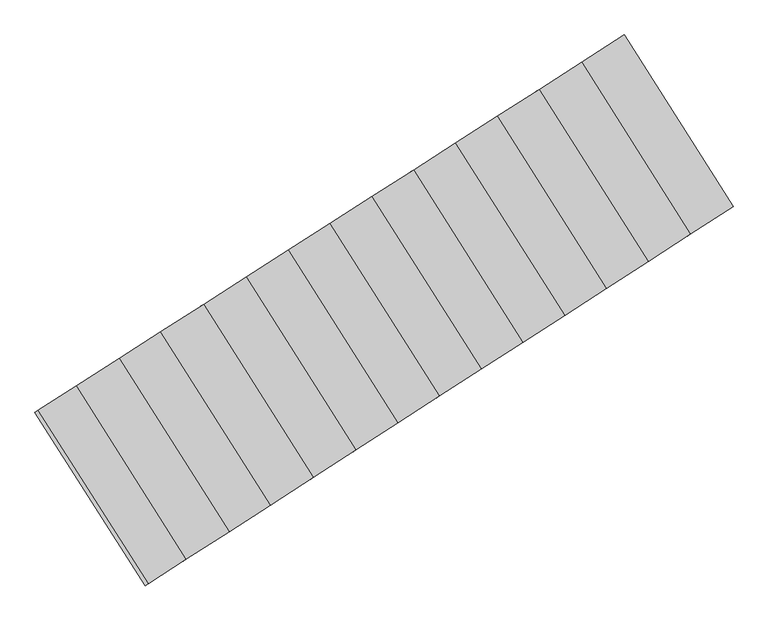
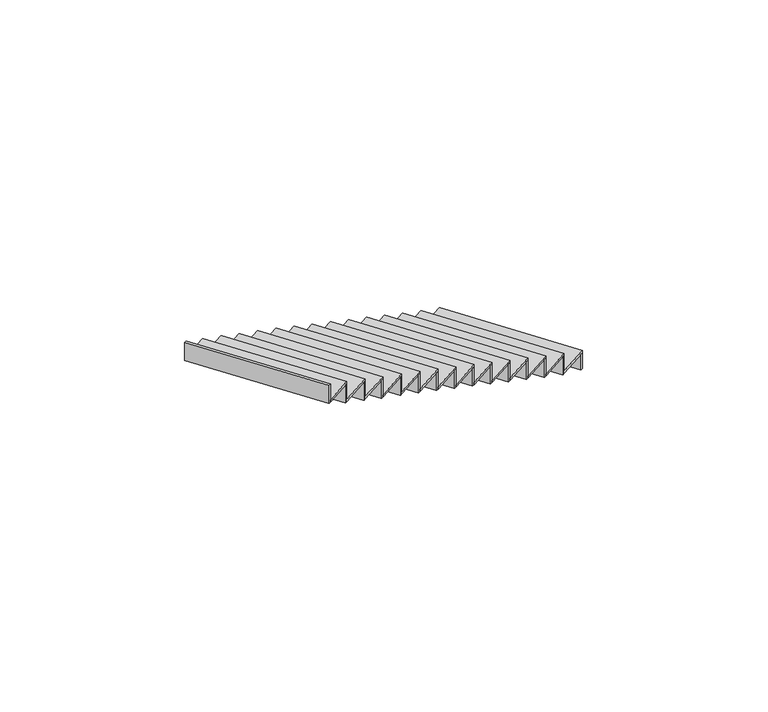
"""IFC4 building model written with IfcOpenShell, lengths in millimetres: stair flight geometry."""

from ifc_helpers import new_model, si_unit, frame, origin, place, context, project, spatial, polyline, outline, extrude, source, transform, mapped, element, save


def stair_flight_724bb6d9(model_context):
    return source(origin(), model_context, "Body", "SweptSolid", [
        extrude(outline(polyline([(93931.781185, 12612.8633512), (93948.6171448, 12623.6598173), (94584.24227, 11619.8145289), (94567.4375238, 11608.968767), (93931.781185, 12612.8633512)])), frame((0.0, 0.0, -2376.5), z_axis=(0.0, 0.0, 1.0), x_axis=(1.0, 0.0, 0.0)), (0.0, 0.0, 1.0), 140.8530746),
        extrude(outline(polyline([(94335.3269878, 11459.1649217), (93699.2395204, 12463.740389), (93948.6171448, 12623.6598173), (94584.24227, 11619.8145289), (94335.3269878, 11459.1649217)])), frame((0.0, 0.0, -2235.6469254), z_axis=(0.0, 0.0, 1.0), x_axis=(1.0, 0.0, 0.0)), (0.0, 0.0, 1.0), 20.0),
        extrude(outline(polyline([(93682.4035606, 12452.9439229), (93699.2395204, 12463.740389), (94335.3269878, 11459.1649217), (94318.5222416, 11448.3191598), (93682.4035606, 12452.9439229)])), frame((0.0, 0.0, -2235.6469254), z_axis=(0.0, 0.0, 1.0), x_axis=(1.0, 0.0, 0.0)), (0.0, 0.0, 1.0), 160.8530746),
        extrude(outline(polyline([(94087.4570608, 11299.1899855), (93450.9091929, 12304.4925651), (93699.2395204, 12463.740389), (94335.3269878, 11459.1649217), (94087.4570608, 11299.1899855)])), frame((0.0, 0.0, -2074.7938508), z_axis=(0.0, 0.0, 1.0), x_axis=(1.0, 0.0, 0.0)), (0.0, 0.0, 1.0), 20.0),
        extrude(outline(polyline([(93434.0732331, 12293.696099), (93450.9091929, 12304.4925651), (94087.4570608, 11299.1899855), (94070.6523146, 11288.3442236), (93434.0732331, 12293.696099)])), frame((0.0, 0.0, -2074.7938508), z_axis=(0.0, 0.0, 1.0), x_axis=(1.0, 0.0, 0.0)), (0.0, 0.0, 1.0), 160.8530746),
        extrude(outline(polyline([(93843.6755622, 11141.8537157), (93206.6748877, 12147.8714145), (93450.9091929, 12304.4925651), (94087.4570608, 11299.1899855), (93843.6755622, 11141.8537157)])), frame((0.0, 0.0, -1913.9407762), z_axis=(0.0, 0.0, 1.0), x_axis=(1.0, 0.0, 0.0)), (0.0, 0.0, 1.0), 20.0),
        extrude(outline(polyline([(93189.838928, 12137.0749484), (93206.6748877, 12147.8714145), (93843.6755622, 11141.8537157), (93826.870816, 11131.0079538), (93189.838928, 12137.0749484)])), frame((0.0, 0.0, -1913.9407762), z_axis=(0.0, 0.0, 1.0), x_axis=(1.0, 0.0, 0.0)), (0.0, 0.0, 1.0), 160.8530746),
        extrude(outline(polyline([(93600.0066897, 10984.5901347), (92962.5534179, 11991.3226223), (93206.6748877, 12147.8714145), (93843.6755622, 11141.8537157), (93600.0066897, 10984.5901347)])), frame((0.0, 0.0, -1753.0877016), z_axis=(0.0, 0.0, 1.0), x_axis=(1.0, 0.0, 0.0)), (0.0, 0.0, 1.0), 20.0),
        extrude(outline(polyline([(92945.7174581, 11980.5261562), (92962.5534179, 11991.3226223), (93600.0066897, 10984.5901347), (93583.2019435, 10973.7443728), (92945.7174581, 11980.5261562)])), frame((0.0, 0.0, -1753.0877016), z_axis=(0.0, 0.0, 1.0), x_axis=(1.0, 0.0, 0.0)), (0.0, 0.0, 1.0), 160.8530746),
        extrude(outline(polyline([(93356.5633865, 10827.4721358), (92718.6579363, 11834.9187505), (92962.5534179, 11991.3226223), (93600.0066897, 10984.5901347), (93356.5633865, 10827.4721358)])), frame((0.0, 0.0, -1592.234627), z_axis=(0.0, 0.0, 1.0), x_axis=(1.0, 0.0, 0.0)), (0.0, 0.0, 1.0), 20.0),
        extrude(outline(polyline([(92701.8219765, 11824.1222844), (92718.6579363, 11834.9187505), (93356.5633865, 10827.4721358), (93339.7586403, 10816.6263739), (92701.8219765, 11824.1222844)])), frame((0.0, 0.0, -1592.234627), z_axis=(0.0, 0.0, 1.0), x_axis=(1.0, 0.0, 0.0)), (0.0, 0.0, 1.0), 160.8530746),
        extrude(outline(polyline([(93112.6690504, 10670.0630408), (92474.3105841, 11678.2251058), (92718.6579363, 11834.9187505), (93356.5633865, 10827.4721358), (93112.6690504, 10670.0630408)])), frame((0.0, 0.0, -1431.3815524), z_axis=(0.0, 0.0, 1.0), x_axis=(1.0, 0.0, 0.0)), (0.0, 0.0, 1.0), 20.0),
        extrude(outline(polyline([(92457.4746243, 11667.4286397), (92474.3105841, 11678.2251058), (93112.6690504, 10670.0630408), (93095.8643042, 10659.217279), (92457.4746243, 11667.4286397)])), frame((0.0, 0.0, -1431.3815524), z_axis=(0.0, 0.0, 1.0), x_axis=(1.0, 0.0, 0.0)), (0.0, 0.0, 1.0), 160.8530746),
        extrude(outline(polyline([(92869.0002835, 10512.799528), (92230.1892201, 11521.6763815), (92474.3105841, 11678.2251058), (93112.6690504, 10670.0630408), (92869.0002835, 10512.799528)])), frame((0.0, 0.0, -1270.5284778), z_axis=(0.0, 0.0, 1.0), x_axis=(1.0, 0.0, 0.0)), (0.0, 0.0, 1.0), 20.0),
        extrude(outline(polyline([(92213.3532603, 11510.8799154), (92230.1892201, 11521.6763815), (92869.0002835, 10512.799528), (92852.1955374, 10501.9537662), (92213.3532603, 11510.8799154)])), frame((0.0, 0.0, -1270.5284778), z_axis=(0.0, 0.0, 1.0), x_axis=(1.0, 0.0, 0.0)), (0.0, 0.0, 1.0), 160.8530746),
        extrude(outline(polyline([(92625.3314111, 10355.535947), (91986.0677502, 11365.1275893), (92230.1892201, 11521.6763815), (92869.0002835, 10512.799528), (92625.3314111, 10355.535947)])), frame((0.0, 0.0, -1109.6754032), z_axis=(0.0, 0.0, 1.0), x_axis=(1.0, 0.0, 0.0)), (0.0, 0.0, 1.0), 20.0),
        extrude(outline(polyline([(91969.2317904, 11354.3311232), (91986.0677502, 11365.1275893), (92625.3314111, 10355.535947), (92608.5266649, 10344.6901852), (91969.2317904, 11354.3311232)])), frame((0.0, 0.0, -1109.6754032), z_axis=(0.0, 0.0, 1.0), x_axis=(1.0, 0.0, 0.0)), (0.0, 0.0, 1.0), 160.8530746),
        extrude(outline(polyline([(92381.6626442, 10198.2724342), (91741.9463862, 11208.5788649), (91986.0677502, 11365.1275893), (92625.3314111, 10355.535947), (92381.6626442, 10198.2724342)])), frame((0.0, 0.0, -948.8223286), z_axis=(0.0, 0.0, 1.0), x_axis=(1.0, 0.0, 0.0)), (0.0, 0.0, 1.0), 20.0),
        extrude(outline(polyline([(91725.1104265, 11197.7823988), (91741.9463862, 11208.5788649), (92381.6626442, 10198.2724342), (92364.857898, 10187.4266724), (91725.1104265, 11197.7823988)])), frame((0.0, 0.0, -948.8223286), z_axis=(0.0, 0.0, 1.0), x_axis=(1.0, 0.0, 0.0)), (0.0, 0.0, 1.0), 160.8530746),
        extrude(outline(polyline([(92133.3431535, 10038.0073501), (91493.16566, 11049.042212), (91741.9463862, 11208.5788649), (92381.6626442, 10198.2724342), (92133.3431535, 10038.0073501)])), frame((0.0, 0.0, -787.9692541), z_axis=(0.0, 0.0, 1.0), x_axis=(1.0, 0.0, 0.0)), (0.0, 0.0, 1.0), 20.0),
        extrude(outline(polyline([(91476.3297002, 11038.2457459), (91493.16566, 11049.042212), (92133.3431535, 10038.0073501), (92116.5384073, 10027.1615882), (91476.3297002, 11038.2457459)])), frame((0.0, 0.0, -787.9692541), z_axis=(0.0, 0.0, 1.0), x_axis=(1.0, 0.0, 0.0)), (0.0, 0.0, 1.0), 160.8530746),
        extrude(outline(polyline([(91880.3484628, 9874.7248978), (91239.7010499, 10886.5019052), (91493.16566, 11049.042212), (92133.3431535, 10038.0073501), (91880.3484628, 9874.7248978)])), frame((0.0, 0.0, -627.1161795), z_axis=(0.0, 0.0, 1.0), x_axis=(1.0, 0.0, 0.0)), (0.0, 0.0, 1.0), 20.0),
        extrude(outline(polyline([(91222.8650901, 10875.7054392), (91239.7010499, 10886.5019052), (91880.3484628, 9874.7248978), (91863.5437166, 9863.879136), (91222.8650901, 10875.7054392)])), frame((0.0, 0.0, -627.1161795), z_axis=(0.0, 0.0, 1.0), x_axis=(1.0, 0.0, 0.0)), (0.0, 0.0, 1.0), 160.8530746),
        extrude(outline(polyline([(91640.6553661, 9720.0272775), (90999.5627405, 10732.507411), (91239.7010499, 10886.5019052), (91880.3484628, 9874.7248978), (91640.6553661, 9720.0272775)])), frame((0.0, 0.0, -466.2631049), z_axis=(0.0, 0.0, 1.0), x_axis=(1.0, 0.0, 0.0)), (0.0, 0.0, 1.0), 20.0),
        extrude(outline(polyline([(90982.7267807, 10721.7109449), (90999.5627405, 10732.507411), (91640.6553661, 9720.0272775), (91623.8506199, 9709.1815156), (90982.7267807, 10721.7109449)])), frame((0.0, 0.0, -466.2631049), z_axis=(0.0, 0.0, 1.0), x_axis=(1.0, 0.0, 0.0)), (0.0, 0.0, 1.0), 160.8530746),
        extrude(outline(polyline([(91388.8096897, 9557.4863976), (90747.249279, 10570.7053061), (90999.5627405, 10732.507411), (91640.6553661, 9720.0272775), (91388.8096897, 9557.4863976)])), frame((0.0, 0.0, -305.4100303), z_axis=(0.0, 0.0, 1.0), x_axis=(1.0, 0.0, 0.0)), (0.0, 0.0, 1.0), 20.0),
        extrude(outline(polyline([(90730.4133192, 10559.90884), (90747.249279, 10570.7053061), (91388.8096897, 9557.4863976), (91372.0049436, 9546.6406358), (90730.4133192, 10559.90884)])), frame((0.0, 0.0, -305.4100303), z_axis=(0.0, 0.0, 1.0), x_axis=(1.0, 0.0, 0.0)), (0.0, 0.0, 1.0), 160.8530746),
        extrude(outline(polyline([(90506.9511439, 10416.6083197), (90523.7868663, 10427.4046336), (91169.337108, 9415.839072), (91152.5327727, 9404.9935753), (90506.9511439, 10416.6083197)])), frame((0.0, 0.0, -144.5569557), z_axis=(0.0, 0.0, 1.0), x_axis=(1.0, 0.0, 0.0)), (0.0, 0.0, 1.0), 160.8530746),
        extrude(outline(polyline([(91169.337108, 9415.839072), (90523.7868663, 10427.4046336), (90747.249279, 10570.7053061), (91388.8096897, 9557.4863976), (91169.337108, 9415.839072)])), frame((0.0, 0.0, -144.5569557), z_axis=(0.0, 0.0, 1.0), x_axis=(1.0, 0.0, 0.0)), (0.0, 0.0, 1.0), 20.0),
    ])


if __name__ == "__main__":
    model = new_model("IFC4")
    model_context = context("Model", 3, world=origin())
    ifc_project = project(units=[si_unit("LENGTHUNIT", "METRE", prefix="MILLI")], contexts=[model_context])
    site = spatial("IfcSite", under=ifc_project)
    building = spatial("IfcBuilding", under=site)
    placement = place(None, origin())
    stair_flight_shape = stair_flight_724bb6d9(model_context)
    element("IfcStairFlight", 1, at=placement, inside=building, context=model_context, shape_type="MappedRepresentation", body=[
        mapped(stair_flight_shape, transform((0.0, 0.0, 0.0), x_axis=(1.0, 0.0, 0.0), y_axis=(0.0, 1.0, 0.0), z_axis=(0.0, 0.0, 1.0))),
    ])
    save(model, "model.ifc")
